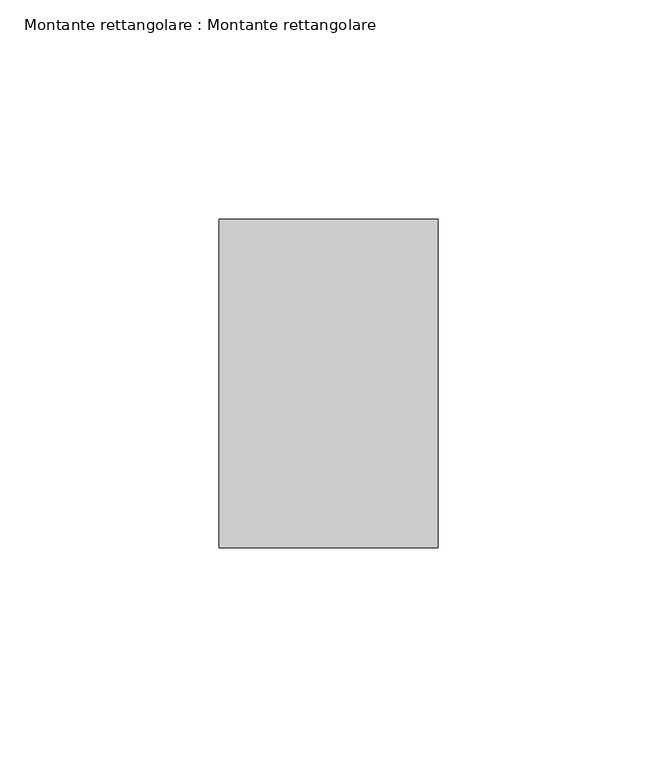
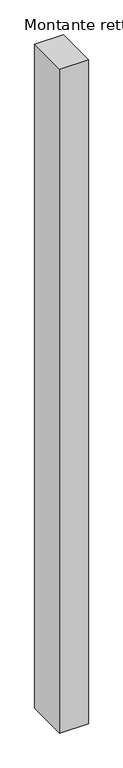
"""IFC4 building model written with IfcOpenShell, lengths in millimetres: member geometry, Montante rettangolare : Montante rettangolare."""

from ifc_helpers import new_model, si_unit, frame, origin, place, context, project, spatial, polyline, outline, extrude, source, transform, mapped, element, save


def montante_rettangolare_montante_rettangolare_290879fd(model_context):
    return source(origin(), model_context, "Body", "SweptSolid", [
        extrude(outline(polyline([(25.0, 37.5), (25.0, -37.5), (-25.0, -37.5), (-25.0, 37.5), (25.0, 37.5)])), frame((0.0, 0.0, -1220.0), z_axis=(0.0, 0.0, 1.0), x_axis=(1.0, 0.0, 0.0)), (0.0, 0.0, 1.0), 1220.0),
    ])


if __name__ == "__main__":
    model = new_model("IFC4")
    model_context = context("Model", 3, world=origin())
    ifc_project = project(units=[si_unit("LENGTHUNIT", "METRE", prefix="MILLI")], contexts=[model_context])
    site = spatial("IfcSite", under=ifc_project)
    building = spatial("IfcBuilding", under=site)
    placement = place(None, origin())
    montante_rettangolare_montante_rettangolare_shape = montante_rettangolare_montante_rettangolare_290879fd(model_context)
    element("IfcMember", 1, ObjectType="Montante rettangolare : Montante rettangolare", at=placement, inside=building, context=model_context, shape_type="MappedRepresentation", body=[
        mapped(montante_rettangolare_montante_rettangolare_shape, transform((0.0, 0.0, 0.0), x_axis=(1.0, 0.0, 0.0), y_axis=(0.0, 1.0, 0.0), z_axis=(0.0, 0.0, 1.0))),
    ])
    save(model, "model.ifc")
